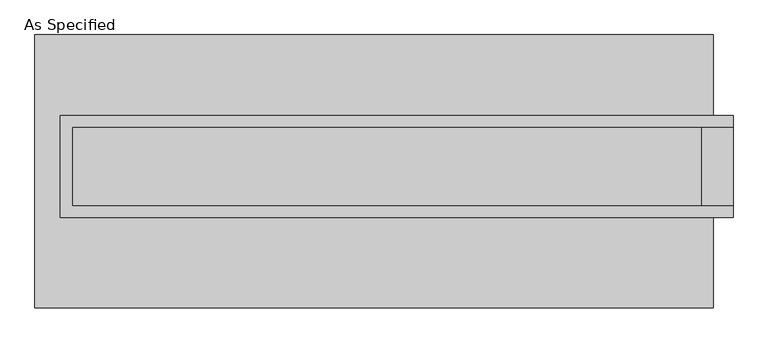
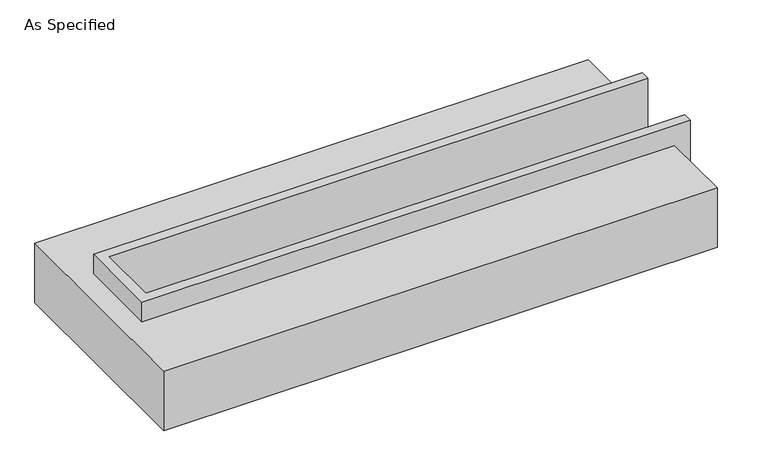
"""IFC4 building model written with IfcOpenShell, lengths in millimetres: proxy geometry, As Specified."""

import ifcopenshell
import ifcopenshell.guid

model = None  # the IFC model being written
_history = None  # IfcOwnerHistory: only IFC2X3 demands one
_inside = {}  # id of a spatial element -> (the spatial element, [elements in it])
_under = {}  # id of a project, library or spatial element -> (it, [spatial elements below it])
_declared = {}  # id of a project -> (the project, [libraries it declares])
_typed = {}  # id of a type object -> (the type object, [elements of that type])
_made_of = {}  # id of a material, layer set ... -> (it, [elements and type objects made of it])


def new_model(schema):
    """Start an empty IFC model of exactly this schema.

    Asked for "IFC4X3", IfcOpenShell would pick the latest addendum, in which some entities
    have other attributes; the version numbers below select the first issue.
    IFC2X3 requires an IfcOwnerHistory on every rooted entity: one is made here for all.
    """
    global model, _history
    if schema == "IFC4X3":
        model = ifcopenshell.file(schema_version=(4, 3, 0, 0))
    else:
        model = ifcopenshell.file(schema=schema)
    _inside.clear()
    _under.clear()
    _declared.clear()
    _typed.clear()
    _made_of.clear()
    _history = None
    if model.schema == "IFC2X3":
        org = make("IfcOrganization", Name="unknown")
        user = make(
            "IfcPersonAndOrganization",
            ThePerson=make("IfcPerson", FamilyName="unknown"),
            TheOrganization=org,
        )
        app = make(
            "IfcApplication",
            ApplicationDeveloper=org,
            Version="unknown",
            ApplicationFullName="unknown",
            ApplicationIdentifier="unknown",
        )
        _history = make(
            "IfcOwnerHistory",
            OwningUser=user,
            OwningApplication=app,
            ChangeAction="ADDED",
            CreationDate=0,
        )
    return model


def make(cls, **values):
    """One entity of the class cls with the attributes given. An attribute that is None is left unset."""
    return model.create_entity(
        cls, **{name: value for name, value in values.items() if value is not None}
    )


def rooted(cls, **values):
    """An entity with a GlobalId (a new one), such as an element, a storey or a relation."""
    return make(cls, GlobalId=ifcopenshell.guid.new(), OwnerHistory=_history, **values)


def si_unit(unit_type, name, prefix=None):
    """IfcSIUnit, for example si_unit("LENGTHUNIT", "METRE", prefix="MILLI")."""
    return make("IfcSIUnit", UnitType=unit_type, Prefix=prefix, Name=name)


def assignment(units):
    """IfcUnitAssignment: the units of a project."""
    return None if units is None else make("IfcUnitAssignment", Units=units)


def point(xyz):
    """IfcCartesianPoint."""
    return None if xyz is None else make("IfcCartesianPoint", Coordinates=xyz)


def direction(xyz):
    """IfcDirection."""
    return None if xyz is None else make("IfcDirection", DirectionRatios=xyz)


def frame(location, z_axis=None, x_axis=None):
    """IfcAxis2Placement3D, a coordinate frame: its origin and axes. An axis left out is left unset."""
    return make(
        "IfcAxis2Placement3D",
        Location=point(location),
        Axis=direction(z_axis),
        RefDirection=direction(x_axis),
    )


def origin():
    """The frame at (0, 0, 0) with its axes left unset."""
    return frame((0.0, 0.0, 0.0))


def place(relative_to, where):
    """IfcLocalPlacement: puts the frame where relative to a parent placement (None: the world)."""
    return make(
        "IfcLocalPlacement", PlacementRelTo=relative_to, RelativePlacement=where
    )


def context(
    kind, dimensions, precision=None, world=None, true_north=None, identifier=None
):
    """IfcGeometricRepresentationContext, for example the 3D "Model" context."""
    return make(
        "IfcGeometricRepresentationContext",
        ContextIdentifier=identifier,
        ContextType=kind,
        CoordinateSpaceDimension=dimensions,
        Precision=precision,
        WorldCoordinateSystem=world,
        TrueNorth=true_north,
    )


def project(units=None, contexts=None):
    """IfcProject with its units and contexts."""
    return rooted(
        "IfcProject",
        Name="project",
        RepresentationContexts=contexts,
        UnitsInContext=assignment(units),
    )


def spatial(cls, under=None, at=None, **own):
    """A site, building, storey or space (cls), placed at a placement, below another one or the project."""
    s = rooted(cls, ObjectPlacement=at, **own)
    if under is not None:
        _under.setdefault(under.id(), (under, []))[1].append(s)
    return s


def faces_of(points, faces, orient=None, outer=None):
    """IfcFace entities. A face is a list of loops; a loop is a list of indices into points, from 0.

    orient and outer hold one flag for each loop. By default every Orientation is true, the
    first loop of a face is its IfcFaceOuterBound and the others are IfcFaceBound.
    """
    made = []
    for i, loops in enumerate(faces):
        bounds = []
        for j, loop in enumerate(loops):
            is_outer = j == 0 if outer is None else outer[i][j]
            bounds.append(
                make(
                    "IfcFaceOuterBound" if is_outer else "IfcFaceBound",
                    Bound=make("IfcPolyLoop", Polygon=[points[k] for k in loop]),
                    Orientation=True if orient is None else orient[i][j],
                )
            )
        made.append(make("IfcFace", Bounds=bounds))
    return made


def faceted_brep(points, faces, orient=None, outer=None, voids=None):
    """IfcFacetedBrep: a solid bounded by flat faces; with voids (closed shells), ...WithVoids."""
    shared = [point(p) for p in points]
    hull = make("IfcClosedShell", CfsFaces=faces_of(shared, faces, orient, outer))
    if voids is None:
        return make("IfcFacetedBrep", Outer=hull)
    return make(
        "IfcFacetedBrepWithVoids",
        Outer=hull,
        Voids=[
            make(cls, CfsFaces=faces_of(shared, fs, o, b)) for cls, fs, o, b in voids
        ],
    )


def shape(context_of_items, identifier, shape_type, items):
    """IfcShapeRepresentation: the items that make up one representation, for example the "Body"."""
    return make(
        "IfcShapeRepresentation",
        ContextOfItems=context_of_items,
        RepresentationIdentifier=identifier,
        RepresentationType=shape_type,
        Items=items,
    )


def source(mapping_origin, context_of_items, identifier, shape_type, items):
    """IfcRepresentationMap: a shape defined once, which mapped items show again and again."""
    return make(
        "IfcRepresentationMap",
        MappingOrigin=mapping_origin,
        MappedRepresentation=shape(context_of_items, identifier, shape_type, items),
    )


def transform(
    local_origin,
    x_axis=None,
    y_axis=None,
    z_axis=None,
    scale=None,
    scale2=None,
    scale3=None,
    uniform=True,
):
    """IfcCartesianTransformationOperator3D, or its non-uniform kind. x_axis, y_axis, z_axis: its Axis1, 2, 3."""
    if uniform:
        return make(
            "IfcCartesianTransformationOperator3D",
            Axis1=direction(x_axis),
            Axis2=direction(y_axis),
            LocalOrigin=point(local_origin),
            Scale=scale,
            Axis3=direction(z_axis),
        )
    return make(
        "IfcCartesianTransformationOperator3DnonUniform",
        Axis1=direction(x_axis),
        Axis2=direction(y_axis),
        LocalOrigin=point(local_origin),
        Scale=scale,
        Axis3=direction(z_axis),
        Scale2=scale2,
        Scale3=scale3,
    )


def mapped(mapping_source, mapping_target):
    """IfcMappedItem: shows the shape of a source again, moved by a transform."""
    return make(
        "IfcMappedItem", MappingSource=mapping_source, MappingTarget=mapping_target
    )


def made_of(thing, what):
    """Note that an element or type object is made of a material, layer set ...; save() writes the relation."""
    if what is not None:
        _made_of.setdefault(what.id(), (what, []))[1].append(thing)
    return thing


def element(
    cls,
    number,
    at=None,
    inside=None,
    cuts=None,
    type_object=None,
    material=None,
    context=None,
    identifier="Body",
    shape_type=None,
    held_by="IfcProductDefinitionShape",
    body=None,
    shapes=None,
    **own,
):
    """One element of the class cls, such as IfcWall. Its Tag is "e" and its number.

    at: its placement. inside: the storey or other place that contains it. cuts: it is an
    opening in that element (IfcRelVoidsElement). A single representation is given by context,
    identifier, shape_type and body (its items); several are given by shapes. held_by: the class
    of the entity that holds the representations. save() writes the other relations.
    """
    e = rooted(cls, Tag="e%d" % number, ObjectPlacement=at, **own)
    if body is not None:
        shapes = [shape(context, identifier, shape_type, body)]
    if shapes is not None:
        e.Representation = make(held_by, Representations=shapes)
    if inside is not None:
        _inside.setdefault(inside.id(), (inside, []))[1].append(e)
    if cuts is not None:
        rooted(
            "IfcRelVoidsElement", RelatingBuildingElement=cuts, RelatedOpeningElement=e
        )
    if type_object is not None:
        _typed.setdefault(type_object.id(), (type_object, []))[1].append(e)
    return made_of(e, material)


def aggregate(whole, parts):
    """IfcRelAggregates: a whole, such as a stair, and the parts it consists of."""
    return rooted("IfcRelAggregates", RelatingObject=whole, RelatedObjects=parts)


def save(model, path):
    """Write the relations noted so far, then the file.

    IfcRelAggregates (storeys below a building ...), IfcRelContainedInSpatialStructure (elements
    in a storey), IfcRelDefinesByType, IfcRelAssociatesMaterial and IfcRelDeclares: one each for
    every whole, place, type object, material and project.
    """
    for whole, parts in _under.values():
        aggregate(whole, parts)
    for where, things in _inside.values():
        rooted(
            "IfcRelContainedInSpatialStructure",
            RelatedElements=things,
            RelatingStructure=where,
        )
    for kind, things in _typed.values():
        rooted("IfcRelDefinesByType", RelatedObjects=things, RelatingType=kind)
    for what, things in _made_of.values():
        rooted("IfcRelAssociatesMaterial", RelatedObjects=things, RelatingMaterial=what)
    for by, libraries in _declared.values():
        rooted("IfcRelDeclares", RelatingContext=by, RelatedDefinitions=libraries)
    model.write(path)


def as_specified_56c90b63(model_context):
    return source(origin(), model_context, "Body", "Brep", [
        faceted_brep([(-2025.65, 361.95, 139.7), (-2025.65, 361.95, -393.7), (-2025.65, 285.75, -393.7), (-2025.65, 285.75, -25.4), (-2025.65, -222.25, -25.4), (-2025.65, -222.25, -393.7), (-2025.65, -298.45, -393.7), (-2025.65, -298.45, 139.7), (2317.75, 285.75, 139.7), (2317.75, 285.75, -317.5), (2317.75, -222.25, -317.5), (2317.75, -222.25, 139.7), (2317.75, -298.45, 139.7), (2317.75, -298.45, -393.7), (2317.75, 361.95, -393.7), (2317.75, 361.95, 139.7), (-1949.45, -222.25, 139.7), (-1949.45, 285.75, 139.7), (2114.55, -222.25, -393.7), (2114.55, 285.75, -393.7), (2114.55, -222.25, -317.5), (-1949.45, -222.25, -25.4), (2114.55, 285.75, -317.5), (-1949.45, 285.75, -25.4)], [[[0, 1, 2, 3, 4, 5, 6, 7]], [[8, 9, 10, 11, 12, 13, 14, 15]], [[0, 7, 12, 11, 16, 17, 8, 15]], [[1, 0, 15, 14]], [[14, 13, 6, 5, 18, 19, 2, 1]], [[7, 6, 13, 12]], [[11, 10, 20, 18, 5, 4, 21, 16]], [[10, 9, 22, 20]], [[9, 8, 17, 23, 3, 2, 19, 22]], [[18, 20, 22, 19]], [[23, 21, 4, 3]], [[17, 16, 21, 23]]]),
        faceted_brep([(-2190.75, 882.65, -523.9742188), (2190.75, 882.65, -523.9742188), (2190.75, -882.65, -523.9742188), (-2190.75, -882.65, -523.9742188), (2190.75, 882.65, -25.4), (-2190.75, 882.65, -25.4), (-2190.75, -882.65, -25.4), (2190.75, -882.65, -25.4), (2190.75, -298.45, -25.4), (-2025.65, -298.45, -25.4), (-2025.65, 361.95, -25.4), (2190.75, 361.95, -25.4), (2190.75, 361.95, -393.7), (2190.75, -298.45, -393.7), (-2025.65, -298.45, -393.7), (-2025.65, 361.95, -393.7)], [[[0, 1, 2, 3]], [[4, 5, 6, 7, 8, 9, 10, 11]], [[1, 0, 5, 4]], [[5, 0, 3, 6]], [[1, 4, 11, 12, 13, 8, 7, 2]], [[3, 2, 7, 6]], [[14, 15, 10, 9]], [[10, 15, 12, 11]], [[15, 14, 13, 12]], [[14, 9, 8, 13]]]),
    ])


if __name__ == "__main__":
    model = new_model("IFC4")
    model_context = context("Model", 3, world=origin())
    ifc_project = project(units=[si_unit("LENGTHUNIT", "METRE", prefix="MILLI")], contexts=[model_context])
    site = spatial("IfcSite", under=ifc_project)
    building = spatial("IfcBuilding", under=site)
    placement = place(None, origin())
    as_specified_shape = as_specified_56c90b63(model_context)
    element("IfcBuildingElementProxy", 1, Name="As Specified", ObjectType="As Specified", at=placement, inside=building, context=model_context, shape_type="MappedRepresentation", body=[
        mapped(as_specified_shape, transform((0.0, 0.0, 0.0), x_axis=(1.0, 0.0, 0.0), y_axis=(0.0, 1.0, 0.0), z_axis=(0.0, 0.0, 1.0))),
    ])
    save(model, "model.ifc")
